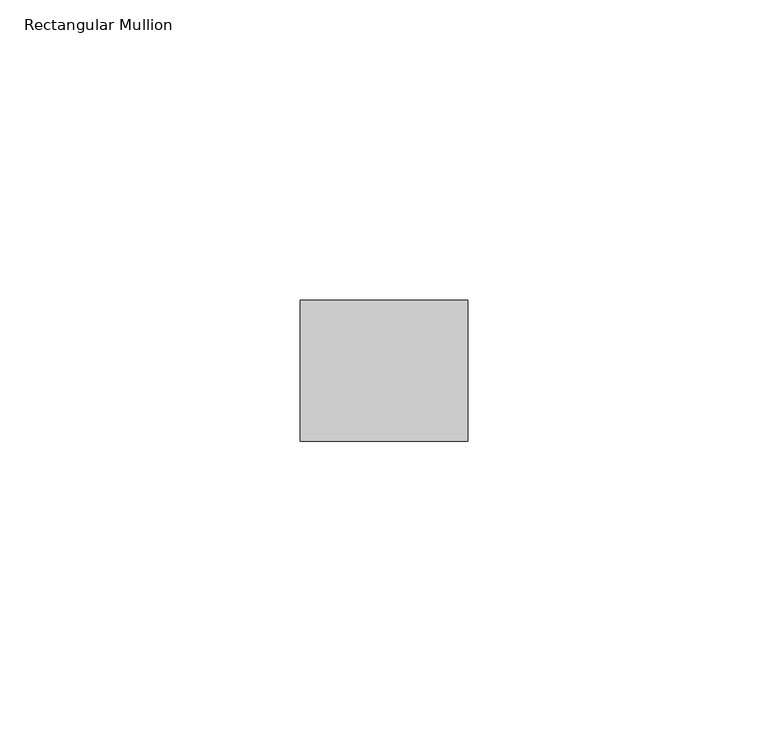
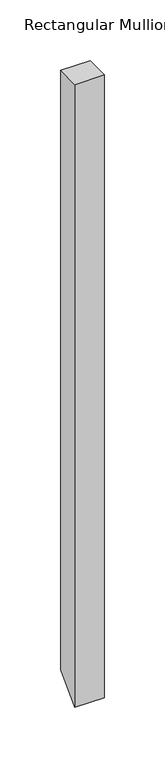
"""IFC4 building model written with IfcOpenShell, lengths in millimetres: member geometry, Rectangular Mullion."""

from ifc_helpers import new_model, si_unit, frame, origin, place, context, project, spatial, polyline, outline, extrude, source, transform, mapped, element, save


def rectangular_mullion_f845ac75(model_context):
    return source(origin(), model_context, "Body", "SweptSolid", [
        extrude(outline(polyline([(-11.7474999, 0.0), (11.7474999, 0.0), (11.7474999, -602.9325001), (-11.7474999, -626.4274999), (-11.7474999, 0.0)])), frame((-27.94, 0.0, 0.0), z_axis=(1.0, 0.0, 0.0), x_axis=(0.0, 1.0, 0.0)), (0.0, 0.0, 1.0), 27.94),
    ])


if __name__ == "__main__":
    model = new_model("IFC4")
    model_context = context("Model", 3, world=origin())
    ifc_project = project(units=[si_unit("LENGTHUNIT", "METRE", prefix="MILLI")], contexts=[model_context])
    site = spatial("IfcSite", under=ifc_project)
    building = spatial("IfcBuilding", under=site)
    placement = place(None, origin())
    rectangular_mullion_shape = rectangular_mullion_f845ac75(model_context)
    element("IfcMember", 1, ObjectType="Rectangular Mullion", at=placement, inside=building, context=model_context, shape_type="MappedRepresentation", body=[
        mapped(rectangular_mullion_shape, transform((0.0, 0.0, 0.0), x_axis=(1.0, 0.0, 0.0), y_axis=(0.0, 1.0, 0.0), z_axis=(0.0, 0.0, 1.0))),
    ])
    save(model, "model.ifc")
